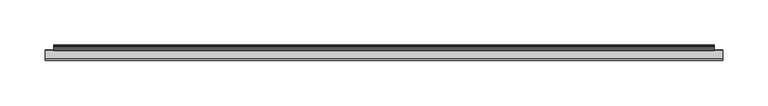
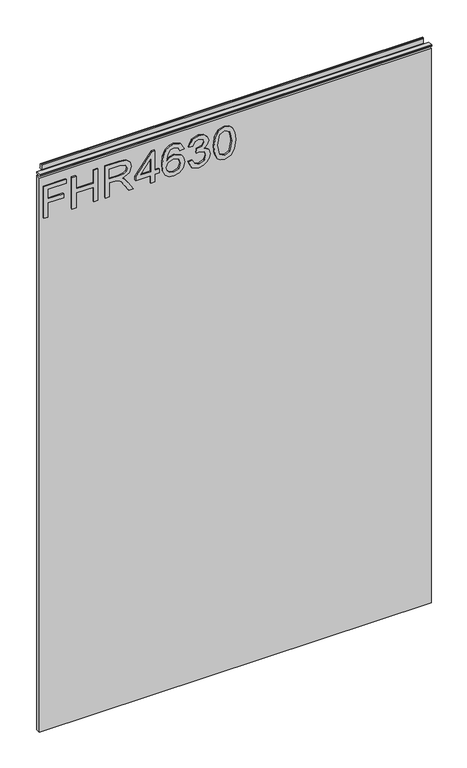
"""IFC4 building model written with IfcOpenShell, lengths in millimetres: furniture geometry."""

import ifcopenshell
import ifcopenshell.guid

model = None  # the IFC model being written
_history = None  # IfcOwnerHistory: only IFC2X3 demands one
_inside = {}  # id of a spatial element -> (the spatial element, [elements in it])
_under = {}  # id of a project, library or spatial element -> (it, [spatial elements below it])
_declared = {}  # id of a project -> (the project, [libraries it declares])
_typed = {}  # id of a type object -> (the type object, [elements of that type])
_made_of = {}  # id of a material, layer set ... -> (it, [elements and type objects made of it])


def new_model(schema):
    """Start an empty IFC model of exactly this schema.

    Asked for "IFC4X3", IfcOpenShell would pick the latest addendum, in which some entities
    have other attributes; the version numbers below select the first issue.
    IFC2X3 requires an IfcOwnerHistory on every rooted entity: one is made here for all.
    """
    global model, _history
    if schema == "IFC4X3":
        model = ifcopenshell.file(schema_version=(4, 3, 0, 0))
    else:
        model = ifcopenshell.file(schema=schema)
    _inside.clear()
    _under.clear()
    _declared.clear()
    _typed.clear()
    _made_of.clear()
    _history = None
    if model.schema == "IFC2X3":
        org = make("IfcOrganization", Name="unknown")
        user = make(
            "IfcPersonAndOrganization",
            ThePerson=make("IfcPerson", FamilyName="unknown"),
            TheOrganization=org,
        )
        app = make(
            "IfcApplication",
            ApplicationDeveloper=org,
            Version="unknown",
            ApplicationFullName="unknown",
            ApplicationIdentifier="unknown",
        )
        _history = make(
            "IfcOwnerHistory",
            OwningUser=user,
            OwningApplication=app,
            ChangeAction="ADDED",
            CreationDate=0,
        )
    return model


def make(cls, **values):
    """One entity of the class cls with the attributes given. An attribute that is None is left unset."""
    return model.create_entity(
        cls, **{name: value for name, value in values.items() if value is not None}
    )


def rooted(cls, **values):
    """An entity with a GlobalId (a new one), such as an element, a storey or a relation."""
    return make(cls, GlobalId=ifcopenshell.guid.new(), OwnerHistory=_history, **values)


def si_unit(unit_type, name, prefix=None):
    """IfcSIUnit, for example si_unit("LENGTHUNIT", "METRE", prefix="MILLI")."""
    return make("IfcSIUnit", UnitType=unit_type, Prefix=prefix, Name=name)


def assignment(units):
    """IfcUnitAssignment: the units of a project."""
    return None if units is None else make("IfcUnitAssignment", Units=units)


def point(xyz):
    """IfcCartesianPoint."""
    return None if xyz is None else make("IfcCartesianPoint", Coordinates=xyz)


def direction(xyz):
    """IfcDirection."""
    return None if xyz is None else make("IfcDirection", DirectionRatios=xyz)


def frame(location, z_axis=None, x_axis=None):
    """IfcAxis2Placement3D, a coordinate frame: its origin and axes. An axis left out is left unset."""
    return make(
        "IfcAxis2Placement3D",
        Location=point(location),
        Axis=direction(z_axis),
        RefDirection=direction(x_axis),
    )


def origin():
    """The frame at (0, 0, 0) with its axes left unset."""
    return frame((0.0, 0.0, 0.0))


def place(relative_to, where):
    """IfcLocalPlacement: puts the frame where relative to a parent placement (None: the world)."""
    return make(
        "IfcLocalPlacement", PlacementRelTo=relative_to, RelativePlacement=where
    )


def context(
    kind, dimensions, precision=None, world=None, true_north=None, identifier=None
):
    """IfcGeometricRepresentationContext, for example the 3D "Model" context."""
    return make(
        "IfcGeometricRepresentationContext",
        ContextIdentifier=identifier,
        ContextType=kind,
        CoordinateSpaceDimension=dimensions,
        Precision=precision,
        WorldCoordinateSystem=world,
        TrueNorth=true_north,
    )


def project(units=None, contexts=None):
    """IfcProject with its units and contexts."""
    return rooted(
        "IfcProject",
        Name="project",
        RepresentationContexts=contexts,
        UnitsInContext=assignment(units),
    )


def spatial(cls, under=None, at=None, **own):
    """A site, building, storey or space (cls), placed at a placement, below another one or the project."""
    s = rooted(cls, ObjectPlacement=at, **own)
    if under is not None:
        _under.setdefault(under.id(), (under, []))[1].append(s)
    return s


def polyline(points):
    """IfcPolyline through the points."""
    return make("IfcPolyline", Points=[point(p) for p in points])


def outline(outer, holes=None, kind="AREA"):
    """IfcArbitraryClosedProfileDef: a profile drawn as a closed curve; with holes, ...WithVoids."""
    if holes is None:
        return make("IfcArbitraryClosedProfileDef", ProfileType=kind, OuterCurve=outer)
    return make(
        "IfcArbitraryProfileDefWithVoids",
        ProfileType=kind,
        OuterCurve=outer,
        InnerCurves=holes,
    )


def extrude(swept, where, along, depth):
    """IfcExtrudedAreaSolid: the profile swept, set in the frame where, extruded along a direction by depth."""
    return make(
        "IfcExtrudedAreaSolid",
        SweptArea=swept,
        Position=where,
        ExtrudedDirection=direction(along),
        Depth=depth,
    )


def shape(context_of_items, identifier, shape_type, items):
    """IfcShapeRepresentation: the items that make up one representation, for example the "Body"."""
    return make(
        "IfcShapeRepresentation",
        ContextOfItems=context_of_items,
        RepresentationIdentifier=identifier,
        RepresentationType=shape_type,
        Items=items,
    )


def source(mapping_origin, context_of_items, identifier, shape_type, items):
    """IfcRepresentationMap: a shape defined once, which mapped items show again and again."""
    return make(
        "IfcRepresentationMap",
        MappingOrigin=mapping_origin,
        MappedRepresentation=shape(context_of_items, identifier, shape_type, items),
    )


def transform(
    local_origin,
    x_axis=None,
    y_axis=None,
    z_axis=None,
    scale=None,
    scale2=None,
    scale3=None,
    uniform=True,
):
    """IfcCartesianTransformationOperator3D, or its non-uniform kind. x_axis, y_axis, z_axis: its Axis1, 2, 3."""
    if uniform:
        return make(
            "IfcCartesianTransformationOperator3D",
            Axis1=direction(x_axis),
            Axis2=direction(y_axis),
            LocalOrigin=point(local_origin),
            Scale=scale,
            Axis3=direction(z_axis),
        )
    return make(
        "IfcCartesianTransformationOperator3DnonUniform",
        Axis1=direction(x_axis),
        Axis2=direction(y_axis),
        LocalOrigin=point(local_origin),
        Scale=scale,
        Axis3=direction(z_axis),
        Scale2=scale2,
        Scale3=scale3,
    )


def mapped(mapping_source, mapping_target):
    """IfcMappedItem: shows the shape of a source again, moved by a transform."""
    return make(
        "IfcMappedItem", MappingSource=mapping_source, MappingTarget=mapping_target
    )


def made_of(thing, what):
    """Note that an element or type object is made of a material, layer set ...; save() writes the relation."""
    if what is not None:
        _made_of.setdefault(what.id(), (what, []))[1].append(thing)
    return thing


def element(
    cls,
    number,
    at=None,
    inside=None,
    cuts=None,
    type_object=None,
    material=None,
    context=None,
    identifier="Body",
    shape_type=None,
    held_by="IfcProductDefinitionShape",
    body=None,
    shapes=None,
    **own,
):
    """One element of the class cls, such as IfcWall. Its Tag is "e" and its number.

    at: its placement. inside: the storey or other place that contains it. cuts: it is an
    opening in that element (IfcRelVoidsElement). A single representation is given by context,
    identifier, shape_type and body (its items); several are given by shapes. held_by: the class
    of the entity that holds the representations. save() writes the other relations.
    """
    e = rooted(cls, Tag="e%d" % number, ObjectPlacement=at, **own)
    if body is not None:
        shapes = [shape(context, identifier, shape_type, body)]
    if shapes is not None:
        e.Representation = make(held_by, Representations=shapes)
    if inside is not None:
        _inside.setdefault(inside.id(), (inside, []))[1].append(e)
    if cuts is not None:
        rooted(
            "IfcRelVoidsElement", RelatingBuildingElement=cuts, RelatedOpeningElement=e
        )
    if type_object is not None:
        _typed.setdefault(type_object.id(), (type_object, []))[1].append(e)
    return made_of(e, material)


def aggregate(whole, parts):
    """IfcRelAggregates: a whole, such as a stair, and the parts it consists of."""
    return rooted("IfcRelAggregates", RelatingObject=whole, RelatedObjects=parts)


def save(model, path):
    """Write the relations noted so far, then the file.

    IfcRelAggregates (storeys below a building ...), IfcRelContainedInSpatialStructure (elements
    in a storey), IfcRelDefinesByType, IfcRelAssociatesMaterial and IfcRelDeclares: one each for
    every whole, place, type object, material and project.
    """
    for whole, parts in _under.values():
        aggregate(whole, parts)
    for where, things in _inside.values():
        rooted(
            "IfcRelContainedInSpatialStructure",
            RelatedElements=things,
            RelatingStructure=where,
        )
    for kind, things in _typed.values():
        rooted("IfcRelDefinesByType", RelatedObjects=things, RelatingType=kind)
    for what, things in _made_of.values():
        rooted("IfcRelAssociatesMaterial", RelatedObjects=things, RelatingMaterial=what)
    for by, libraries in _declared.values():
        rooted("IfcRelDeclares", RelatingContext=by, RelatedDefinitions=libraries)
    model.write(path)


def furniture_1925d80d(model_context):
    return source(origin(), model_context, "Body", "SweptSolid", [
        extrude(outline(polyline([(1053.0078, -291.2107253), (1053.0078, -283.2370057), (1081.9125336, -283.2370057), (1081.9125336, -253.3355571), (1089.8862532, -253.3355571), (1089.8862532, -283.2370057), (1108.8238373, -283.2370057), (1108.8238373, -248.3519823), (1116.7975569, -248.3519823), (1116.7975569, -291.2107253), (1053.0078, -291.2107253)])), frame((0.0, -5.4842478, 0.0), z_axis=(0.0, 1.0, 0.0), x_axis=(0.0, 0.0, 1.0)), (0.0, 0.0, 1.0), 2.38125),
        extrude(outline(polyline([(1053.0078, -237.3881179), (1053.0078, -229.4143982), (1082.9092486, -229.4143982), (1082.9092486, -195.5260899), (1053.0078, -195.5260899), (1053.0078, -187.5523702), (1116.7975569, -187.5523702), (1116.7975569, -195.5260899), (1090.8829682, -195.5260899), (1090.8829682, -229.4143982), (1116.7975569, -229.4143982), (1116.7975569, -237.3881179), (1053.0078, -237.3881179)])), frame((0.0, -5.4842478, 0.0), z_axis=(0.0, 1.0, 0.0), x_axis=(0.0, 0.0, 1.0)), (0.0, 0.0, 1.0), 2.38125),
        extrude(outline(polyline([(1053.0078, -173.5983609), (1053.0078, -165.6246413), (1080.9158187, -165.6246413), (1080.9158187, -156.0001125), (1080.6354926, -151.3747322), (1079.1170596, -147.5825433), (1074.98225, -143.3698652), (1066.2298468, -137.3740019), (1053.0078, -129.0732351), (1053.0078, -119.8069008), (1070.294575, -130.4437182), (1078.5018996, -136.9067917), (1081.9125336, -141.43873), (1087.8461023, -128.084307), (1099.3394716, -123.7626133), (1108.9873609, -126.3712032), (1115.0766663, -133.3482079), (1116.7975569, -146.1108314), (1116.7975569, -173.5983609), (1053.0078, -173.5983609)]), holes=[polyline([(1088.8895383, -165.6246413), (1108.8238373, -165.6246413), (1108.8238373, -145.7682106), (1106.0672975, -135.1080327), (1099.0435719, -131.7363329), (1093.6317211, -133.5039446), (1090.0186294, -138.6744034), (1088.8895383, -147.7772142), (1088.8895383, -165.6246413)])]), frame((0.0, -5.4842478, 0.0), z_axis=(0.0, 1.0, 0.0), x_axis=(0.0, 0.0, 1.0)), (0.0, 0.0, 1.0), 2.38125),
        extrude(outline(polyline([(1053.0078, -86.8841601), (1053.0078, -78.9104404), (1067.9585243, -78.9104404), (1067.9585243, -70.9367208), (1075.9322439, -70.9367208), (1075.9322439, -78.9104404), (1115.800842, -78.9104404), (1115.800842, -84.8907302), (1075.9322439, -115.7888937), (1067.9585243, -115.7888937), (1067.9585243, -86.8841601), (1053.0078, -86.8841601)]), holes=[polyline([(1075.9322439, -86.8841601), (1075.9322439, -105.9774809), (1100.5697916, -86.8841601), (1075.9322439, -86.8841601)])]), frame((0.0, -5.4842478, 0.0), z_axis=(0.0, 1.0, 0.0), x_axis=(0.0, 0.0, 1.0)), (0.0, 0.0, 1.0), 2.38125),
        extrude(outline(polyline([(1099.8534028, -23.0944031), (1112.296766, -28.9812508), (1116.7975569, -41.5803507), (1114.9793308, -50.8350048), (1109.5246525, -57.9794264), (1098.6659103, -63.2121799), (1082.7846592, -64.9564311), (1068.6593395, -63.385437), (1059.1749738, -58.6724548), (1053.8020572, -51.4676852), (1052.011085, -42.421329), (1054.713117, -31.9713957), (1062.4999526, -24.7296386), (1073.5027512, -22.0976882), (1081.6750351, -23.4954251), (1088.1887231, -27.6886361), (1093.873113, -41.23773), (1091.7940279, -49.951199), (1085.4321833, -56.9827115), (1099.6431582, -54.7167423), (1106.8927021, -49.2737443), (1108.8238373, -42.0787082), (1105.5066454, -34.0894149), (1098.8566878, -31.0681227), (1099.8534028, -23.0944031)]), holes=[polyline([(1073.6273406, -56.9827115), (1082.51212, -53.0192122), (1085.8993934, -43.3713229), (1082.51212, -33.5988443), (1073.2379988, -30.0714078), (1063.5511754, -33.6455653), (1059.9848047, -43.0442758), (1061.7056953, -50.2315251), (1066.7204174, -55.1372315), (1073.6273406, -56.9827115)])]), frame((0.0, -5.4842478, 0.0), z_axis=(0.0, 1.0, 0.0), x_axis=(0.0, 0.0, 1.0)), (0.0, 0.0, 1.0), 2.38125),
        extrude(outline(polyline([(1069.9519542, -15.1206835), (1057.0102335, -8.7821993), (1052.011085, 5.2029573), (1053.4750101, 13.7256489), (1057.8667854, 20.6364654), (1064.3610063, 25.2151247), (1072.1322681, 26.7413445), (1082.5043331, 23.688905), (1087.955118, 14.9987965), (1093.2345925, 21.5397383), (1100.5853653, 23.7511996), (1108.6291664, 21.4229358), (1114.6094562, 14.6951099), (1116.7975569, 5.078368), (1112.3590607, -7.5986003), (1099.8534028, -14.1239685), (1098.8566878, -6.1502489), (1106.3320499, -2.2412575), (1108.8238373, 5.358694), (1106.3554105, 12.8652035), (1100.1181552, 15.77748), (1093.0788558, 11.7594729), (1090.8829682, 1.4341289), (1082.9092486, 0.5464297), (1083.7813742, 6.1373776), (1080.51869, 15.2012542), (1072.2724312, 18.7676249), (1063.520028, 15.1701069), (1059.9848047, 5.4832834), (1062.5544604, -2.7474018), (1070.9486691, -7.1469639), (1069.9519542, -15.1206835)])), frame((0.0, -5.4842478, 0.0), z_axis=(0.0, 1.0, 0.0), x_axis=(0.0, 0.0, 1.0)), (0.0, 0.0, 1.0), 2.38125),
        extrude(outline(polyline([(1084.3887473, 33.7183492), (1068.8734775, 35.3068636), (1058.0848168, 40.072407), (1053.529518, 46.3641701), (1052.011085, 54.6493632), (1055.5073742, 66.3218297), (1066.1130443, 73.2599002), (1084.3887473, 75.5803772), (1099.3784058, 74.1320257), (1108.8160505, 70.3943447), (1114.7418324, 63.9624185), (1116.7975569, 54.6493632), (1113.3246283, 43.0236177), (1102.7423188, 36.0621867), (1084.3887473, 33.7183492)]), holes=[polyline([(1084.404321, 41.6920688), (1104.5566514, 45.5543392), (1108.8238373, 54.5559211), (1103.9804256, 63.9935658), (1084.404321, 67.6066575), (1064.6179718, 63.8689765), (1059.9848047, 54.6493632), (1064.6023982, 45.4297499), (1084.404321, 41.6920688)])]), frame((0.0, -5.4842478, 0.0), z_axis=(0.0, 1.0, 0.0), x_axis=(0.0, 0.0, 1.0)), (0.0, 0.0, 1.0), 2.38125),
        extrude(outline(polyline([(5.5562561, 1143.0), (6.3500061, 1143.0), (6.3500061, 1152.87425), (7.1437561, 1153.668), (8.6677569, 1153.668), (10.0084363, 1153.2506926), (10.875413, 1152.1461816), (10.9623604, 1150.7447591), (10.2390011, 1147.7863459), (10.4046103, 1146.5833307), (11.6746103, 1144.3836103), (10.7786383, 1143.8663244), (7.1437561, 1143.8663244), (7.1437561, 1143.0), (6.3500061, 1142.7669239), (6.3500061, 1135.5578), (5.5562561, 1135.5578), (5.5562561, 1143.0)])), frame((-288.671, 0.0, 0.0), z_axis=(1.0, 0.0, 0.0), x_axis=(0.0, 1.0, 0.0)), (0.0, 0.0, 1.0), 729.742),
        extrude(outline(polyline([(5.5562561, 1143.0), (5.5562561, 1139.8249996), (-3.975094, 1139.8249996), (-5.3492339, 1140.6183657), (-5.3492339, 1142.2066395), (-3.9751037, 1143.0), (5.5562561, 1143.0)])), frame((-298.196, 0.0, 0.0), z_axis=(1.0, 0.0, 0.0), x_axis=(0.0, 1.0, 0.0)), (0.0, 0.0, 1.0), 748.792),
        extrude(outline(polyline([(450.596, 6.3500061), (450.596, -3.1749939), (-298.196, -3.1749939), (-298.196, 6.3500061), (450.596, 6.3500061)])), frame((0.0, 0.0, 15.79626), z_axis=(0.0, 0.0, 1.0), x_axis=(1.0, 0.0, 0.0)), (0.0, 0.0, 1.0), 1119.76154),
    ])


if __name__ == "__main__":
    model = new_model("IFC4")
    model_context = context("Model", 3, world=origin())
    ifc_project = project(units=[si_unit("LENGTHUNIT", "METRE", prefix="MILLI")], contexts=[model_context])
    site = spatial("IfcSite", under=ifc_project)
    building = spatial("IfcBuilding", under=site)
    placement = place(None, origin())
    furniture_shape = furniture_1925d80d(model_context)
    element("IfcFurniture", 1, at=placement, inside=building, context=model_context, shape_type="MappedRepresentation", body=[
        mapped(furniture_shape, transform((0.0, 0.0, 0.0), x_axis=(1.0, 0.0, 0.0), y_axis=(0.0, 1.0, 0.0), z_axis=(0.0, 0.0, 1.0))),
    ])
    save(model, "model.ifc")
